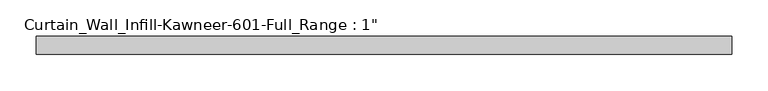
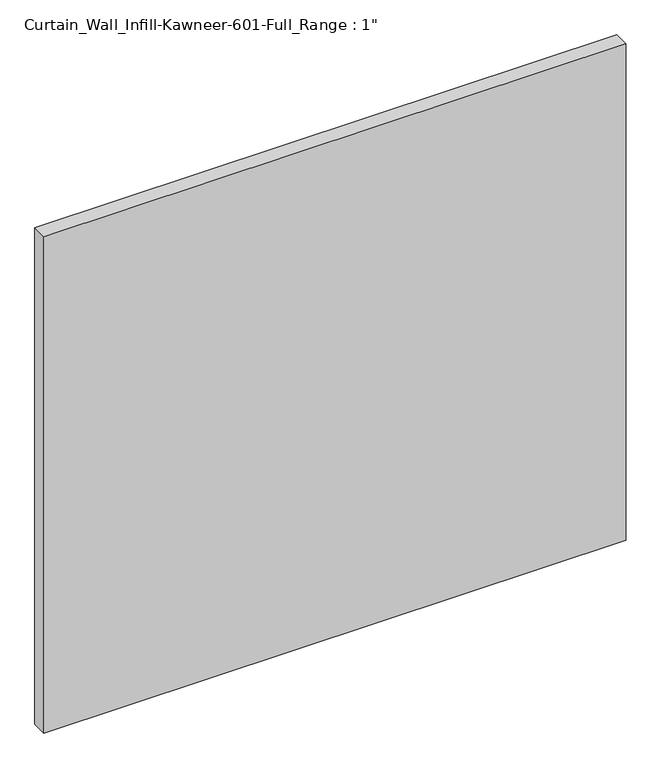
"""IFC4 building model written with IfcOpenShell, lengths in millimetres: plate geometry."""

from ifc_helpers import new_model, si_unit, origin, origin_with_axes, place, context, project, spatial, polyline, outline, extrude, source, transform, mapped, element, save


def plate_bc074da9(model_context):
    return source(origin(), model_context, "Body", "SweptSolid", [
        extrude(outline(polyline([(-482.6, 12.7), (482.6, 12.7), (482.6, -12.7), (-482.6, -12.7), (-482.6, 12.7)])), origin_with_axes(), (0.0, 0.0, 1.0), 869.95),
    ])


if __name__ == "__main__":
    model = new_model("IFC4")
    model_context = context("Model", 3, world=origin())
    ifc_project = project(units=[si_unit("LENGTHUNIT", "METRE", prefix="MILLI")], contexts=[model_context])
    site = spatial("IfcSite", under=ifc_project)
    building = spatial("IfcBuilding", under=site)
    placement = place(None, origin())
    plate_shape = plate_bc074da9(model_context)
    element("IfcPlate", 1, ObjectType="Curtain_Wall_Infill-Kawneer-601-Full_Range : 1\"", at=placement, inside=building, context=model_context, shape_type="MappedRepresentation", body=[
        mapped(plate_shape, transform((0.0, 0.0, 0.0), x_axis=(1.0, 0.0, 0.0), y_axis=(0.0, 1.0, 0.0), z_axis=(0.0, 0.0, 1.0))),
    ])
    save(model, "model.ifc")
